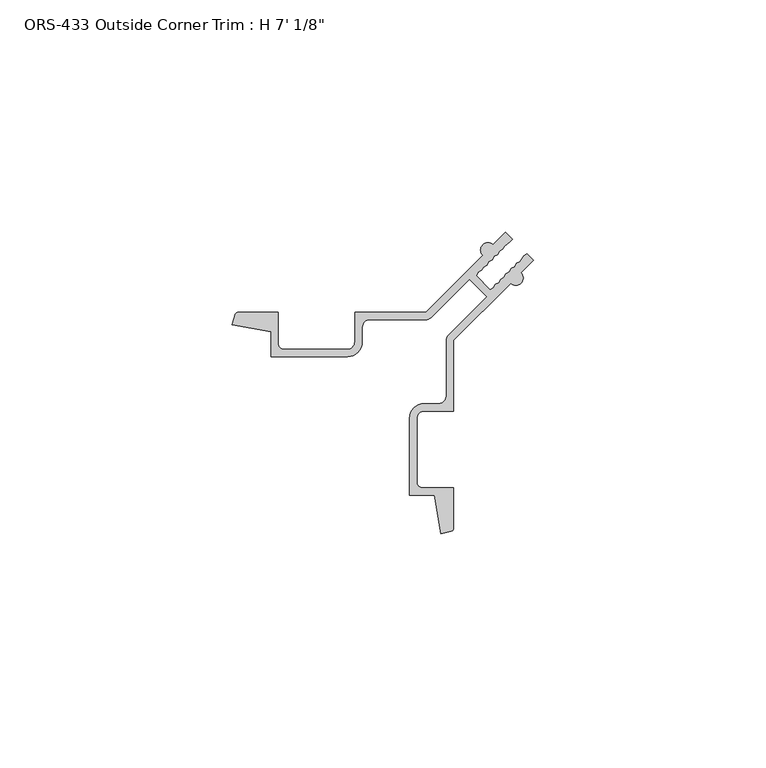
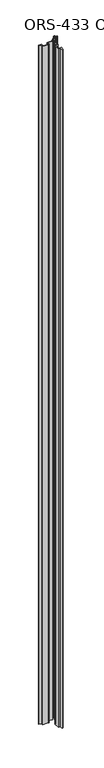
"""IFC4 building model written with IfcOpenShell, lengths in millimetres: proxy geometry."""

from ifc_helpers import new_model, si_unit, point, frame_2d, origin, origin_with_axes, place, context, project, spatial, polyline, circle_curve, trimmed, segment, composite_curve, outline, extrude, source, transform, mapped, element, save


def proxy_3b624325(model_context):
    return source(origin(), model_context, "Body", "SweptSolid", [
        extrude(outline(composite_curve([segment(trimmed(circle_curve(frame_2d((36.2723655, 36.2723655)), 37.30498), [point((47.1313957, 0.5828293))], [point((44.9888461, 0.0))], False, "CARTESIAN"), True, "CONTINUOUS"), segment(polyline([(44.9888461, 0.0), (43.5626519, 8.3289739), (38.1949811, 8.3289739), (38.1949811, 24.9221382)]), True, "CONTINUOUS"), segment(trimmed(circle_curve(frame_2d((41.3198018, 24.9221382)), 3.1248207), [point((38.1949811, 24.9221382))], [point((41.3198018, 28.0469589))], False, "CARTESIAN"), True, "CONTINUOUS"), segment(polyline([(41.3198018, 28.0469589), (44.5318645, 28.0469589)]), True, "CONTINUOUS"), segment(trimmed(circle_curve(frame_2d((44.5318645, 29.6119153)), 1.5649564), [point((44.5318645, 28.0469589))], [point((46.0968209, 29.6119153))], True, "CARTESIAN"), True, "CONTINUOUS"), segment(polyline([(46.0968209, 29.6119153), (46.0968209, 41.6593283)]), True, "CONTINUOUS"), segment(trimmed(circle_curve(frame_2d((47.6894223, 41.6593283)), 1.5926014), [point((46.0968209, 41.6593283))], [point((46.5651522, 42.7873335))], False, "CARTESIAN"), True, "CONTINUOUS"), segment(polyline([(46.5651522, 42.7873335), (54.8464242, 51.0580705), (52.9534529, 52.9534529), (51.058979, 54.8478722), (42.7838035, 46.5724577)]), True, "CONTINUOUS"), segment(trimmed(circle_curve(frame_2d((41.6612389, 47.6949899)), 1.5875232), [point((42.7838035, 46.5724577))], [point((41.6612389, 46.1074667))], False, "CARTESIAN"), True, "CONTINUOUS"), segment(polyline([(41.6612389, 46.1074667), (29.5887669, 46.1074667)]), True, "CONTINUOUS"), segment(trimmed(circle_curve(frame_2d((29.5887669, 44.5199809)), 1.5874858), [point((29.5887669, 46.1074667))], [point((28.0012811, 44.5199809))], True, "CARTESIAN"), True, "CONTINUOUS"), segment(polyline([(28.0012811, 44.5199809), (28.0012811, 41.3322962)]), True, "CONTINUOUS"), segment(trimmed(circle_curve(frame_2d((24.8262772, 41.3322962)), 3.175004), [point((28.0012811, 41.3322962))], [point((24.8262772, 38.1572923))], False, "CARTESIAN"), True, "CONTINUOUS"), segment(polyline([(24.8262772, 38.1572923), (8.3289739, 38.1572923), (8.3289739, 43.5626519), (0.0, 44.9888461), (0.5828293, 47.1313957)]), True, "CONTINUOUS"), segment(trimmed(circle_curve(frame_2d((1.343422, 46.8999749)), 0.79502), [point((0.5828293, 47.1313957))], [point((1.343422, 47.6949949))], False, "CARTESIAN"), True, "CONTINUOUS"), segment(polyline([(1.343422, 47.6949949), (9.9037739, 47.6949949), (9.9037739, 41.0147949)]), True, "CONTINUOUS"), segment(trimmed(circle_curve(frame_2d((11.1737739, 41.0147949)), 1.27), [point((9.9037739, 41.0147949))], [point((11.1737739, 39.7447949))], True, "CARTESIAN"), True, "CONTINUOUS"), segment(polyline([(11.1737739, 39.7447949), (24.8262739, 39.7447949)]), True, "CONTINUOUS"), segment(trimmed(circle_curve(frame_2d((24.8262739, 41.3322949)), 1.5875), [point((24.8262739, 39.7447949))], [point((26.4137739, 41.3322949))], True, "CARTESIAN"), True, "CONTINUOUS"), segment(polyline([(26.4137739, 41.3322949), (26.4137739, 47.6949949), (41.6791739, 47.6949949), (53.9593059, 59.9751269)]), True, "CONTINUOUS"), segment(trimmed(circle_curve(frame_2d((55.0728576, 61.0886787)), 1.5748), [point((53.9593059, 59.9751269))], [point((56.1864094, 62.2022305))], False, "CARTESIAN"), True, "CONTINUOUS"), segment(polyline([(56.1864094, 62.2022305), (58.8894665, 64.9052876), (60.3348125, 63.4599416), (59.853887, 62.8353317), (58.6179024, 61.9585574), (58.2447399, 61.2261846), (57.5099523, 60.8506074), (57.1367898, 60.1182346), (56.3697227, 59.7103778), (55.9965601, 58.978005), (55.229493, 58.5701482), (54.8563305, 57.8377754), (54.0892634, 57.4299186), (53.7161008, 56.6975458), (52.9490338, 56.289689), (52.5758712, 55.5573162), (55.5573162, 52.5758712), (56.289689, 52.9490337), (56.6975458, 53.7161007), (57.4299186, 54.0892632), (57.8377754, 54.8563303), (58.5701482, 55.2294928), (58.9780051, 55.9965599), (59.7103779, 56.3697224), (60.1182347, 57.1367895), (60.8506075, 57.509952), (61.2261848, 58.2447395), (61.9585576, 58.6179021), (62.835332, 59.8538866), (63.482081, 60.312673), (64.9052876, 58.8894665), (62.2022305, 56.1864094)]), True, "CONTINUOUS"), segment(trimmed(circle_curve(frame_2d((61.0886787, 55.0728576)), 1.5748), [point((62.2022305, 56.1864094))], [point((59.9751269, 53.9593059))], False, "CARTESIAN"), True, "CONTINUOUS"), segment(polyline([(59.9751269, 53.9593059), (47.6949949, 41.6791739), (47.6949949, 26.4137739), (41.3322949, 26.4137739)]), True, "CONTINUOUS"), segment(trimmed(circle_curve(frame_2d((41.3322949, 24.8262739)), 1.5875), [point((41.3322949, 26.4137739))], [point((39.7447949, 24.8262739))], True, "CARTESIAN"), True, "CONTINUOUS"), segment(polyline([(39.7447949, 24.8262739), (39.7447949, 11.1737739)]), True, "CONTINUOUS"), segment(trimmed(circle_curve(frame_2d((41.0147949, 11.1737739)), 1.27), [point((39.7447949, 11.1737739))], [point((41.0147949, 9.9037739))], True, "CARTESIAN"), True, "CONTINUOUS"), segment(polyline([(41.0147949, 9.9037739), (47.6949949, 9.9037739), (47.6949949, 1.343422)]), True, "CONTINUOUS"), segment(trimmed(circle_curve(frame_2d((46.8999749, 1.343422)), 0.79502), [point((47.6949949, 1.343422))], [point((47.1313957, 0.5828293))], False, "CARTESIAN"), True, "CONTINUOUS")], self_intersect=False)), origin_with_axes(), (0.0, 0.0, 1.0), 2136.775),
    ])


if __name__ == "__main__":
    model = new_model("IFC4")
    model_context = context("Model", 3, world=origin())
    ifc_project = project(units=[si_unit("LENGTHUNIT", "METRE", prefix="MILLI")], contexts=[model_context])
    site = spatial("IfcSite", under=ifc_project)
    building = spatial("IfcBuilding", under=site)
    placement = place(None, origin())
    proxy_shape = proxy_3b624325(model_context)
    element("IfcBuildingElementProxy", 1, Name="ORS-433 Outside Corner Trim : H 7' 1/8\"", ObjectType="ORS-433 Outside Corner Trim : H 7' 1/8\"", at=placement, inside=building, context=model_context, shape_type="MappedRepresentation", body=[
        mapped(proxy_shape, transform((0.0, 0.0, 0.0), x_axis=(1.0, 0.0, 0.0), y_axis=(0.0, 1.0, 0.0), z_axis=(0.0, 0.0, 1.0))),
    ])
    save(model, "model.ifc")
